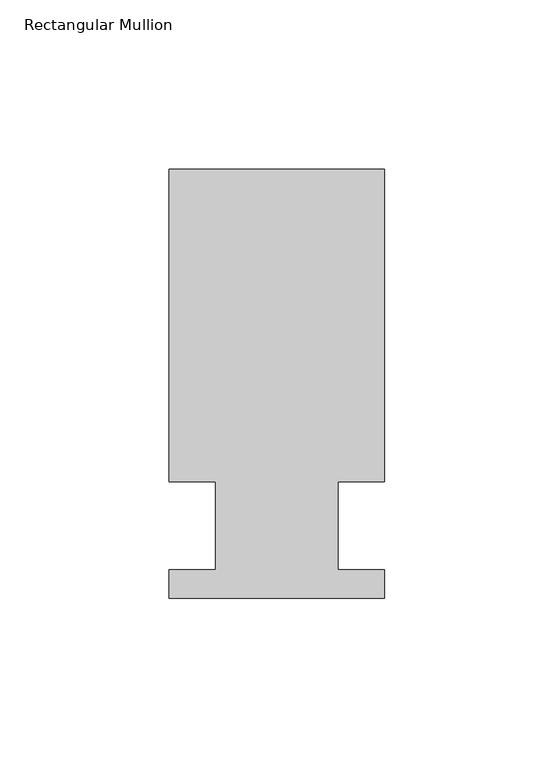
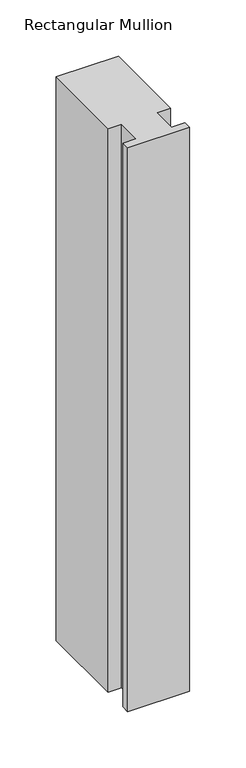
"""IFC4 building model written with IfcOpenShell, lengths in millimetres: member geometry, Rectangular Mullion."""

from ifc_helpers import new_model, si_unit, frame, origin, place, context, project, spatial, polyline, outline, extrude, source, transform, mapped, element, save


def rectangular_mullion_042500b8(model_context):
    return source(origin(), model_context, "Body", "SweptSolid", [
        extrude(outline(polyline([(-63.5, 126.4808875), (0.0, 126.4808875), (0.0, 34.3296875), (-13.6398, 34.3296875), (-13.6398, 8.3454875), (0.0, 8.3454875), (0.0, -0.0111125), (-63.5, -0.0111125), (-63.5, 8.3454875), (-49.9070313, 8.3454875), (-49.9070313, 34.3296875), (-63.5, 34.3296875), (-63.5, 126.4808875)])), frame((0.0, 0.0, -609.6), z_axis=(0.0, 0.0, 1.0), x_axis=(1.0, 0.0, 0.0)), (0.0, 0.0, 1.0), 609.6),
    ])


if __name__ == "__main__":
    model = new_model("IFC4")
    model_context = context("Model", 3, world=origin())
    ifc_project = project(units=[si_unit("LENGTHUNIT", "METRE", prefix="MILLI")], contexts=[model_context])
    site = spatial("IfcSite", under=ifc_project)
    building = spatial("IfcBuilding", under=site)
    placement = place(None, origin())
    rectangular_mullion_shape = rectangular_mullion_042500b8(model_context)
    element("IfcMember", 1, ObjectType="Rectangular Mullion", at=placement, inside=building, context=model_context, shape_type="MappedRepresentation", body=[
        mapped(rectangular_mullion_shape, transform((0.0, 0.0, 0.0), x_axis=(1.0, 0.0, 0.0), y_axis=(0.0, 1.0, 0.0), z_axis=(0.0, 0.0, 1.0))),
    ])
    save(model, "model.ifc")
